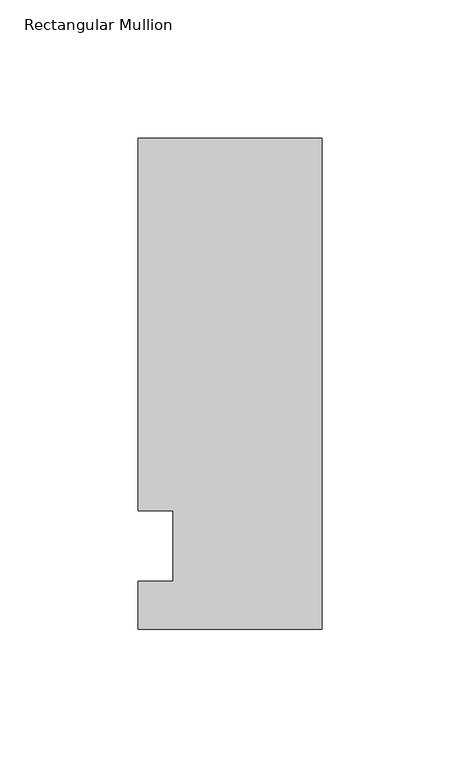
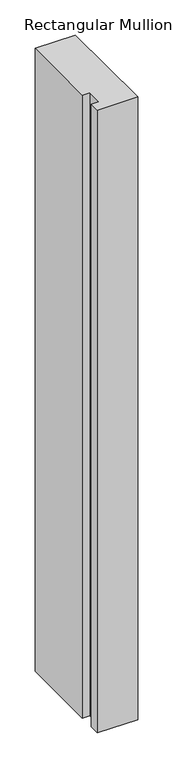
"""IFC4 building model written with IfcOpenShell, lengths in millimetres: member geometry, Rectangular Mullion."""

from ifc_helpers import new_model, si_unit, frame, origin, place, context, project, spatial, polyline, outline, extrude, source, transform, mapped, element, save


def rectangular_mullion_ad60c0ee(model_context):
    return source(origin(), model_context, "Body", "SweptSolid", [
        extrude(outline(polyline([(-66.675, 147.6375), (0.0, 147.6375), (0.0, -30.1625), (-66.675, -30.1625), (-66.675, -12.7), (-53.9732296, -12.7), (-53.9732296, 12.7), (-66.675, 12.7), (-66.675, 147.6375)])), frame((0.0, 0.0, -1085.85), z_axis=(0.0, 0.0, 1.0), x_axis=(1.0, 0.0, 0.0)), (0.0, 0.0, 1.0), 1085.85),
    ])


if __name__ == "__main__":
    model = new_model("IFC4")
    model_context = context("Model", 3, world=origin())
    ifc_project = project(units=[si_unit("LENGTHUNIT", "METRE", prefix="MILLI")], contexts=[model_context])
    site = spatial("IfcSite", under=ifc_project)
    building = spatial("IfcBuilding", under=site)
    placement = place(None, origin())
    rectangular_mullion_shape = rectangular_mullion_ad60c0ee(model_context)
    element("IfcMember", 1, ObjectType="Rectangular Mullion", at=placement, inside=building, context=model_context, shape_type="MappedRepresentation", body=[
        mapped(rectangular_mullion_shape, transform((0.0, 0.0, 0.0), x_axis=(1.0, 0.0, 0.0), y_axis=(0.0, 1.0, 0.0), z_axis=(0.0, 0.0, 1.0))),
    ])
    save(model, "model.ifc")
